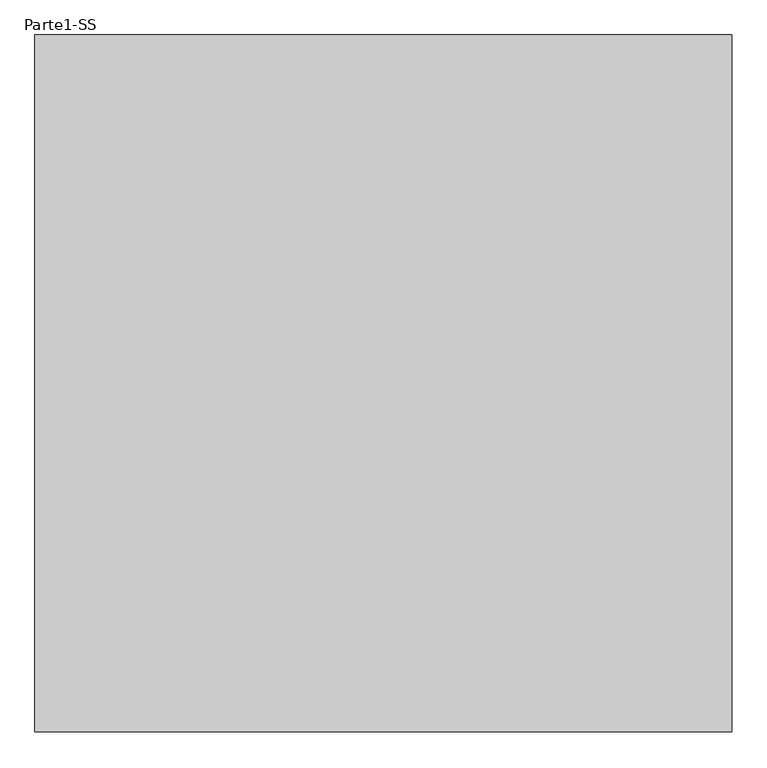
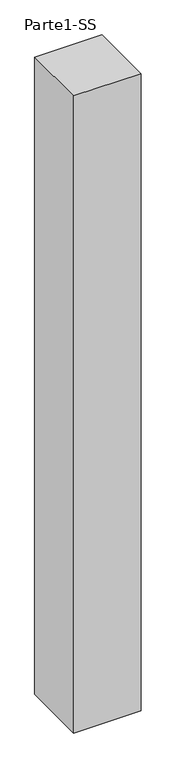
"""IFC4 building model written with IfcOpenShell, lengths in millimetres: proxy geometry, Parte1-SS."""

from ifc_helpers import new_model, si_unit, frame, origin, place, context, project, spatial, polyline, outline, extrude, source, transform, mapped, element, save


def parte1_ss_02697567(model_context):
    return source(origin(), model_context, "Body", "SweptSolid", [
        extrude(outline(polyline([(4000.0, 4000.0), (4000.0, 0.0), (0.0, 0.0), (0.0, 4000.0), (4000.0, 4000.0)])), frame((0.0, 0.0, 10000.0), z_axis=(0.0, 0.0, 1.0), x_axis=(1.0, 0.0, 0.0)), (0.0, 0.0, 1.0), 40000.0),
    ])


if __name__ == "__main__":
    model = new_model("IFC4")
    model_context = context("Model", 3, world=origin())
    ifc_project = project(units=[si_unit("LENGTHUNIT", "METRE", prefix="MILLI")], contexts=[model_context])
    site = spatial("IfcSite", under=ifc_project)
    building = spatial("IfcBuilding", under=site)
    placement = place(None, origin())
    parte1_ss_shape = parte1_ss_02697567(model_context)
    element("IfcBuildingElementProxy", 1, Name="Parte1-SS", ObjectType="Parte1-SS", at=placement, inside=building, context=model_context, shape_type="MappedRepresentation", body=[
        mapped(parte1_ss_shape, transform((0.0, 0.0, 0.0), x_axis=(1.0, 0.0, 0.0), y_axis=(0.0, 1.0, 0.0), z_axis=(0.0, 0.0, 1.0))),
    ])
    save(model, "model.ifc")
